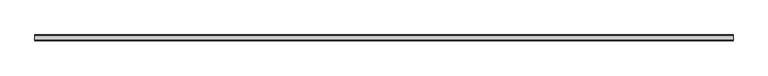
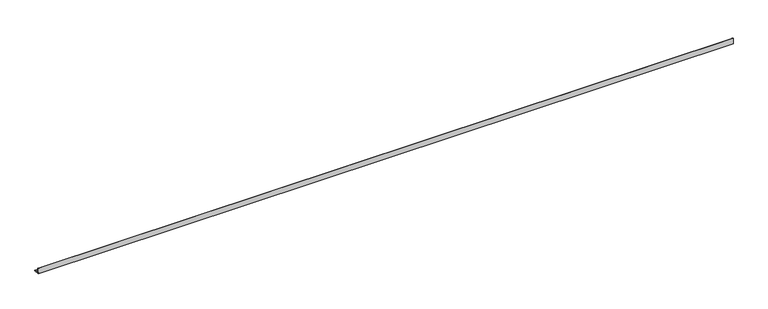
"""IFC4 building model written with IfcOpenShell, lengths in millimetres: beam geometry."""

from ifc_helpers import new_model, si_unit, point, frame, frame_2d, origin, place, context, project, spatial, polyline, circle_curve, trimmed, segment, composite_curve, outline, extrude, source, transform, mapped, element, save


def beam_eb5ae0f3(model_context):
    return source(origin(), model_context, "Body", "SweptSolid", [
        extrude(outline(composite_curve([segment(polyline([(-21.3, -21.3), (-21.3, 53.7), (-18.3, 53.7)]), True, "CONTINUOUS"), segment(trimmed(circle_curve(frame_2d((-18.3, 48.7)), 5.0), [point((-18.3, 53.7))], [point((-13.3, 48.7))], False, "CARTESIAN"), True, "CONTINUOUS"), segment(polyline([(-13.3, 48.7), (-13.3, -5.3)]), True, "CONTINUOUS"), segment(trimmed(circle_curve(frame_2d((-5.3, -5.3)), 8.0), [point((-13.3, -5.3))], [point((-5.3, -13.3))], True, "CARTESIAN"), True, "CONTINUOUS"), segment(polyline([(-5.3, -13.3), (48.7, -13.3)]), True, "CONTINUOUS"), segment(trimmed(circle_curve(frame_2d((48.7, -18.3)), 5.0), [point((48.7, -13.3))], [point((53.7, -18.3))], False, "CARTESIAN"), True, "CONTINUOUS"), segment(polyline([(53.7, -18.3), (53.7, -21.3), (-21.3, -21.3)]), True, "CONTINUOUS")], self_intersect=False)), frame((-4453.0, 0.0, 0.0), z_axis=(1.0, 0.0, 0.0), x_axis=(0.0, 1.0, 0.0)), (0.0, 0.0, 1.0), 8811.0),
    ])


if __name__ == "__main__":
    model = new_model("IFC4")
    model_context = context("Model", 3, world=origin())
    ifc_project = project(units=[si_unit("LENGTHUNIT", "METRE", prefix="MILLI")], contexts=[model_context])
    site = spatial("IfcSite", under=ifc_project)
    building = spatial("IfcBuilding", under=site)
    placement = place(None, origin())
    beam_shape = beam_eb5ae0f3(model_context)
    element("IfcBeam", 1, at=placement, inside=building, context=model_context, shape_type="MappedRepresentation", body=[
        mapped(beam_shape, transform((0.0, 0.0, 0.0), x_axis=(1.0, 0.0, 0.0), y_axis=(0.0, 1.0, 0.0), z_axis=(0.0, 0.0, 1.0))),
    ])
    save(model, "model.ifc")
